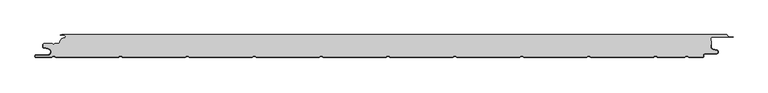
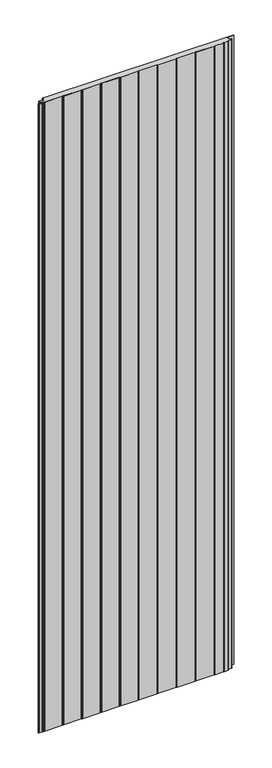
"""IFC4 building model written with IfcOpenShell, lengths in millimetres: plate geometry."""

from ifc_helpers import new_model, si_unit, point, frame, frame_2d, origin, origin_with_axes, place, context, project, spatial, polyline, circle_curve, trimmed, segment, composite_curve, outline, extrude, source, transform, mapped, element, save
from ifc_brep_helpers import plane_surface, cylinder_surface, revolved_surface, advanced_brep


def plate_8099458d(model_context):
    return source(origin(), model_context, "Body", "SolidModel", [
        advanced_brep(
        [(523.8595905, -2.0325427, 3500.0), (522.5460884, -0.8, 3500.0), (-471.6637731, -0.8, 3500.0), (-474.0000003, -1.3234618, 3500.0), (-468.0000003, -1.3234618, 3500.0), (-468.1134423, -5.9206625, 3500.0), (-474.1919837, -12.028303, 3500.0), (-476.0000003, -13.9234618, 3500.0), (-482.1686293, -13.9234618, 3500.0), (-484.0000002, -15.7548327, 3500.0), (-485.831371, -13.9234618, 3500.0), (-497.4, -13.9234618, 3500.0), (-499.2, -15.7234618, 3500.0), (-499.2, -19.0038437, 3500.0), (-498.2083778, -20.185613, 3500.0), (-491.7622998, -21.3222305, 3500.0), (-492.7, -32.0401924, 3500.0), (-509.7, -32.0401924, 3500.0), (-509.7, -34.2401924, 3500.0), (-486.6751286, -34.2401924, 3500.0), (-484.45, -32.9555137, 3500.0), (-482.7606357, -32.9494241, 3500.0), (-480.4557934, -34.2, 3500.0), (-386.6055134, -34.2, 3500.0), (-384.45, -32.9555137, 3500.0), (-382.7606357, -32.9494241, 3500.0), (-380.4557934, -34.2, 3500.0), (-286.6055134, -34.2, 3500.0), (-284.45, -32.9555137, 3500.0), (-282.7606357, -32.9494242, 3500.0), (-280.4557934, -34.2, 3500.0), (-186.6055134, -34.2, 3500.0), (-184.45, -32.9555137, 3500.0), (-182.7606357, -32.9494242, 3500.0), (-180.4557934, -34.2, 3500.0), (-86.6055134, -34.2, 3500.0), (-84.45, -32.9555137, 3500.0), (-82.7606357, -32.9494242, 3500.0), (-80.4557934, -34.2, 3500.0), (13.3944866, -34.2, 3500.0), (15.55, -32.9555137, 3500.0), (17.2393643, -32.9494242, 3500.0), (19.5442066, -34.2, 3500.0), (113.3944866, -34.2, 3500.0), (115.55, -32.9555137, 3500.0), (117.2393643, -32.9494242, 3500.0), (119.5442066, -34.2, 3500.0), (213.3944866, -34.2, 3500.0), (215.55, -32.9555137, 3500.0), (217.2393643, -32.9494242, 3500.0), (219.5442066, -34.2, 3500.0), (313.3944866, -34.2, 3500.0), (315.55, -32.9555137, 3500.0), (317.2393643, -32.9494242, 3500.0), (319.5442066, -34.2, 3500.0), (413.3944866, -34.2, 3500.0), (415.55, -32.9555138, 3500.0), (417.2393643, -32.9494242, 3500.0), (419.5442066, -34.2000001, 3500.0), (460.2243041, -34.2000001, 3500.0), (462.3798174, -32.9555138, 3500.0), (464.0741626, -32.9522634, 3500.0), (466.3793035, -34.2401924, 3500.0), (487.0105556, -34.2401924, 3500.0), (487.6105556, -33.6401924, 3500.0), (487.6105556, -32.2401924, 3500.0), (491.0105556, -28.8401924, 3500.0), (507.5, -28.8401924, 3500.0), (507.9948923, -24.4965783, 3500.0), (501.8351664, -23.0744935, 3500.0), (499.2, -19.7616353, 3500.0), (499.2, -15.6401924, 3500.0), (500.0, -15.6401924, 3500.0), (500.0, -10.3245382, 3500.0), (499.2, -10.3245382, 3500.0), (499.2, -6.8245382, 3500.0), (502.0, -4.0245382, 3500.0), (532.5, -4.0245382, 3500.0), (525.8912786, -3.5911794, 3500.0), (523.8595905, -2.0325427, 0.0), (525.8912786, -3.5911794, 0.0), (532.5, -4.0245382, 0.0), (502.0, -4.0245382, 0.0), (499.2, -6.8245382, 0.0), (499.2, -10.3245382, 0.0), (500.0, -10.3245382, 0.0), (500.0, -15.6401924, 0.0), (499.2, -15.6401924, 0.0), (499.2, -19.7616353, 0.0), (501.8351664, -23.0744935, 0.0), (507.9948923, -24.4965783, 0.0), (507.5, -28.8401924, 0.0), (491.0105556, -28.8401924, 0.0), (487.6105556, -32.2401924, 0.0), (487.6105556, -33.6401924, 0.0), (487.0105556, -34.2401924, 0.0), (466.3793035, -34.2401924, 0.0), (464.0741626, -32.9522634, 0.0), (462.3798174, -32.9555138, 0.0), (460.2243041, -34.2000001, 0.0), (419.5442066, -34.2000001, 0.0), (417.2393643, -32.9494242, 0.0), (415.55, -32.9555138, 0.0), (413.3944866, -34.2, 0.0), (319.5442066, -34.2, 0.0), (317.2393643, -32.9494242, 0.0), (315.55, -32.9555137, 0.0), (313.3944866, -34.2, 0.0), (219.5442066, -34.2, 0.0), (217.2393643, -32.9494242, 0.0), (215.55, -32.9555137, 0.0), (213.3944866, -34.2, 0.0), (119.5442066, -34.2, 0.0), (117.2393643, -32.9494242, 0.0), (115.55, -32.9555137, 0.0), (113.3944866, -34.2, 0.0), (19.5442066, -34.2, 0.0), (17.2393643, -32.9494242, 0.0), (15.55, -32.9555137, 0.0), (13.3944866, -34.2, 0.0), (-80.4557934, -34.2, 0.0), (-82.7606357, -32.9494242, 0.0), (-84.45, -32.9555137, 0.0), (-86.6055134, -34.2, 0.0), (-180.4557934, -34.2, 0.0), (-182.7606357, -32.9494242, 0.0), (-184.45, -32.9555137, 0.0), (-186.6055134, -34.2, 0.0), (-280.4557934, -34.2, 0.0), (-282.7606357, -32.9494242, 0.0), (-284.45, -32.9555137, 0.0), (-286.6055134, -34.2, 0.0), (-380.4557934, -34.2, 0.0), (-382.7606357, -32.9494241, 0.0), (-384.45, -32.9555137, 0.0), (-386.6055134, -34.2, 0.0), (-480.4557934, -34.2, 0.0), (-482.7606357, -32.9494241, 0.0), (-484.45, -32.9555137, 0.0), (-486.6751286, -34.2401924, 0.0), (-509.7, -34.2401924, 0.0), (-509.7, -32.0401924, 0.0), (-492.7, -32.0401924, 0.0), (-491.7622998, -21.3222305, 0.0), (-498.2083778, -20.185613, 0.0), (-499.2, -19.0038437, 0.0), (-499.2, -15.7234618, 0.0), (-497.4, -13.9234618, 0.0), (-485.831371, -13.9234618, 0.0), (-484.0000002, -15.7548327, 0.0), (-482.1686293, -13.9234618, 0.0), (-476.0000003, -13.9234618, 0.0), (-474.2024882, -12.0288559, 0.0), (-468.1139291, -5.930521, 0.0), (-468.0000003, -1.3234618, 0.0), (-474.0000003, -1.3234618, 0.0), (-471.6637731, -0.8, 0.0), (522.5460884, -0.8, 0.0)],
        [
            (0, 1, circle_curve(frame((522.5460884, -2.116161, 3500.0), z_axis=(0.0, 0.0, 1.0), x_axis=(1.0, 0.0, 0.0)), 1.316161)),
            (1, 2),
            (2, 3),
            (3, 4),
            (4, 5, circle_curve(frame((-468.0000003, -3.6234618, 3500.0), z_axis=(0.0, 0.0, -1.0), x_axis=(1.0, 0.0, 0.0)), 2.3)),
            (5, 6, circle_curve(frame((-468.4000003, -11.7234618, 3500.0), z_axis=(0.0, 0.0, 1.0), x_axis=(1.0, 0.0, 0.0)), 5.8)),
            (6, 7, circle_curve(frame((-476.0000003, -12.1234618, 3500.0), z_axis=(0.0, 0.0, -1.0), x_axis=(1.0, 0.0, 0.0)), 1.8)),
            (7, 8),
            (8, 9),
            (9, 10),
            (10, 11),
            (11, 12, circle_curve(frame((-497.4, -15.7234618, 3500.0), z_axis=(0.0, 0.0, 1.0), x_axis=(1.0, 0.0, 0.0)), 1.8)),
            (12, 13),
            (13, 14, circle_curve(frame((-498.0, -19.0038437, 3500.0), z_axis=(0.0, 0.0, 1.0), x_axis=(1.0, 0.0, 0.0)), 1.2)),
            (14, 15),
            (15, 16, circle_curve(frame((-492.7, -26.6401924, 3500.0), z_axis=(0.0, 0.0, -1.0), x_axis=(1.0, 0.0, 0.0)), 5.4)),
            (16, 17),
            (17, 18, circle_curve(frame((-509.7, -33.1401924, 3500.0), z_axis=(0.0, 0.0, 1.0), x_axis=(1.0, 0.0, 0.0)), 1.1)),
            (18, 19),
            (19, 20),
            (20, 21, circle_curve(frame((-483.6, -34.4277569, 3500.0), z_axis=(0.0, 0.0, -1.0), x_axis=(1.0, 0.0, 0.0)), 1.7)),
            (21, 22),
            (22, 23),
            (23, 24),
            (24, 25, circle_curve(frame((-383.6, -34.4277569, 3500.0), z_axis=(0.0, 0.0, -1.0), x_axis=(1.0, 0.0, 0.0)), 1.7)),
            (25, 26),
            (26, 27),
            (27, 28),
            (28, 29, circle_curve(frame((-283.6, -34.4277569, 3500.0), z_axis=(0.0, 0.0, -1.0), x_axis=(1.0, 0.0, 0.0)), 1.7)),
            (29, 30),
            (30, 31),
            (31, 32),
            (32, 33, circle_curve(frame((-183.6, -34.4277569, 3500.0), z_axis=(0.0, 0.0, -1.0), x_axis=(1.0, 0.0, 0.0)), 1.7)),
            (33, 34),
            (34, 35),
            (35, 36),
            (36, 37, circle_curve(frame((-83.6, -34.4277569, 3500.0), z_axis=(0.0, 0.0, -1.0), x_axis=(1.0, 0.0, 0.0)), 1.7)),
            (37, 38),
            (38, 39),
            (39, 40),
            (40, 41, circle_curve(frame((16.4, -34.4277569, 3500.0), z_axis=(0.0, 0.0, -1.0), x_axis=(1.0, 0.0, 0.0)), 1.7)),
            (41, 42),
            (42, 43),
            (43, 44),
            (44, 45, circle_curve(frame((116.4, -34.4277569, 3500.0), z_axis=(0.0, 0.0, -1.0), x_axis=(1.0, 0.0, 0.0)), 1.7)),
            (45, 46),
            (46, 47),
            (47, 48),
            (48, 49, circle_curve(frame((216.4, -34.4277569, 3500.0), z_axis=(0.0, 0.0, -1.0), x_axis=(1.0, 0.0, 0.0)), 1.7)),
            (49, 50),
            (50, 51),
            (51, 52),
            (52, 53, circle_curve(frame((316.4, -34.4277569, 3500.0), z_axis=(0.0, 0.0, -1.0), x_axis=(1.0, 0.0, 0.0)), 1.7)),
            (53, 54),
            (54, 55),
            (55, 56),
            (56, 57, circle_curve(frame((416.4, -34.4277569, 3500.0), z_axis=(0.0, 0.0, -1.0), x_axis=(1.0, 0.0, 0.0)), 1.7)),
            (57, 58),
            (58, 59),
            (59, 60),
            (60, 61, circle_curve(frame((463.2298174, -34.4277569, 3500.0), z_axis=(0.0, 0.0, -1.0), x_axis=(1.0, 0.0, 0.0)), 1.7)),
            (61, 62),
            (62, 63),
            (63, 64, circle_curve(frame((487.0105556, -33.6401924, 3500.0), z_axis=(0.0, 0.0, 1.0), x_axis=(1.0, 0.0, 0.0)), 0.6)),
            (64, 65),
            (65, 66, circle_curve(frame((491.0105556, -32.2401924, 3500.0), z_axis=(0.0, 0.0, -1.0), x_axis=(1.0, 0.0, 0.0)), 3.4)),
            (66, 67),
            (67, 68, circle_curve(frame((507.5, -26.6401924, 3500.0), z_axis=(0.0, 0.0, 1.0), x_axis=(1.0, 0.0, 0.0)), 2.2)),
            (68, 69),
            (69, 70, circle_curve(frame((502.6, -19.7616353, 3500.0), z_axis=(0.0, 0.0, -1.0), x_axis=(1.0, 0.0, 0.0)), 3.4)),
            (70, 71),
            (71, 72),
            (72, 73),
            (73, 74),
            (74, 75),
            (75, 76, circle_curve(frame((502.0, -6.8245382, 3500.0), z_axis=(0.0, 0.0, -1.0), x_axis=(1.0, 0.0, 0.0)), 2.8)),
            (76, 77),
            (77, 78),
            (78, 0, circle_curve(frame((525.5561562, -1.9245382, 3500.0), z_axis=(0.0, 0.0, -1.0), x_axis=(1.0, 0.0, 0.0)), 1.7)),
            (79, 80, circle_curve(frame((525.5561562, -1.9245382, 0.0), z_axis=(0.0, 0.0, 1.0), x_axis=(1.0, 0.0, 0.0)), 1.7)),
            (80, 81),
            (81, 82),
            (82, 83, circle_curve(frame((502.0, -6.8245382, 0.0), z_axis=(0.0, 0.0, 1.0), x_axis=(1.0, 0.0, 0.0)), 2.8)),
            (83, 84),
            (84, 85),
            (85, 86),
            (86, 87),
            (87, 88),
            (88, 89, circle_curve(frame((502.6, -19.7616353, 0.0), z_axis=(0.0, 0.0, 1.0), x_axis=(1.0, 0.0, 0.0)), 3.4)),
            (89, 90),
            (90, 91, circle_curve(frame((507.5, -26.6401924, 0.0), z_axis=(0.0, 0.0, -1.0), x_axis=(1.0, 0.0, 0.0)), 2.2)),
            (91, 92),
            (92, 93, circle_curve(frame((491.0105556, -32.2401924, 0.0), z_axis=(0.0, 0.0, 1.0), x_axis=(1.0, 0.0, 0.0)), 3.4)),
            (93, 94),
            (94, 95, circle_curve(frame((487.0105556, -33.6401924, 0.0), z_axis=(0.0, 0.0, -1.0), x_axis=(1.0, 0.0, 0.0)), 0.6)),
            (95, 96),
            (96, 97),
            (97, 98, circle_curve(frame((463.2298174, -34.4277569, 0.0), z_axis=(0.0, 0.0, 1.0), x_axis=(1.0, 0.0, 0.0)), 1.7)),
            (98, 99),
            (99, 100),
            (100, 101),
            (101, 102, circle_curve(frame((416.4, -34.4277569, 0.0), z_axis=(0.0, 0.0, 1.0), x_axis=(1.0, 0.0, 0.0)), 1.7)),
            (102, 103),
            (103, 104),
            (104, 105),
            (105, 106, circle_curve(frame((316.4, -34.4277569, 0.0), z_axis=(0.0, 0.0, 1.0), x_axis=(1.0, 0.0, 0.0)), 1.7)),
            (106, 107),
            (107, 108),
            (108, 109),
            (109, 110, circle_curve(frame((216.4, -34.4277569, 0.0), z_axis=(0.0, 0.0, 1.0), x_axis=(1.0, 0.0, 0.0)), 1.7)),
            (110, 111),
            (111, 112),
            (112, 113),
            (113, 114, circle_curve(frame((116.4, -34.4277569, 0.0), z_axis=(0.0, 0.0, 1.0), x_axis=(1.0, 0.0, 0.0)), 1.7)),
            (114, 115),
            (115, 116),
            (116, 117),
            (117, 118, circle_curve(frame((16.4, -34.4277569, 0.0), z_axis=(0.0, 0.0, 1.0), x_axis=(1.0, 0.0, 0.0)), 1.7)),
            (118, 119),
            (119, 120),
            (120, 121),
            (121, 122, circle_curve(frame((-83.6, -34.4277569, 0.0), z_axis=(0.0, 0.0, 1.0), x_axis=(1.0, 0.0, 0.0)), 1.7)),
            (122, 123),
            (123, 124),
            (124, 125),
            (125, 126, circle_curve(frame((-183.6, -34.4277569, 0.0), z_axis=(0.0, 0.0, 1.0), x_axis=(1.0, 0.0, 0.0)), 1.7)),
            (126, 127),
            (127, 128),
            (128, 129),
            (129, 130, circle_curve(frame((-283.6, -34.4277569, 0.0), z_axis=(0.0, 0.0, 1.0), x_axis=(1.0, 0.0, 0.0)), 1.7)),
            (130, 131),
            (131, 132),
            (132, 133),
            (133, 134, circle_curve(frame((-383.6, -34.4277569, 0.0), z_axis=(0.0, 0.0, 1.0), x_axis=(1.0, 0.0, 0.0)), 1.7)),
            (134, 135),
            (135, 136),
            (136, 137),
            (137, 138, circle_curve(frame((-483.6, -34.4277569, 0.0), z_axis=(0.0, 0.0, 1.0), x_axis=(1.0, 0.0, 0.0)), 1.7)),
            (138, 139),
            (139, 140),
            (140, 141, circle_curve(frame((-509.7, -33.1401924, 0.0), z_axis=(0.0, 0.0, -1.0), x_axis=(1.0, 0.0, 0.0)), 1.1)),
            (141, 142),
            (142, 143, circle_curve(frame((-492.7, -26.6401924, 0.0), z_axis=(0.0, 0.0, 1.0), x_axis=(1.0, 0.0, 0.0)), 5.4)),
            (143, 144),
            (144, 145, circle_curve(frame((-498.0, -19.0038437, 0.0), z_axis=(0.0, 0.0, -1.0), x_axis=(1.0, 0.0, 0.0)), 1.2)),
            (145, 146),
            (146, 147, circle_curve(frame((-497.4, -15.7234618, 0.0), z_axis=(0.0, 0.0, -1.0), x_axis=(1.0, 0.0, 0.0)), 1.8)),
            (147, 148),
            (148, 149),
            (149, 150),
            (150, 151),
            (151, 152, circle_curve(frame((-476.0000003, -12.1234618, 0.0), z_axis=(0.0, 0.0, 1.0), x_axis=(1.0, 0.0, 0.0)), 1.8)),
            (152, 153, circle_curve(frame((-468.4000003, -11.7234618, 0.0), z_axis=(0.0, 0.0, -1.0), x_axis=(1.0, 0.0, 0.0)), 5.8)),
            (153, 154, circle_curve(frame((-468.0000003, -3.6234618, 0.0), z_axis=(0.0, 0.0, 1.0), x_axis=(1.0, 0.0, 0.0)), 2.3)),
            (154, 155),
            (155, 156),
            (156, 157),
            (157, 79, circle_curve(frame((522.5460884, -2.116161, 0.0), z_axis=(0.0, 0.0, -1.0), x_axis=(1.0, 0.0, 0.0)), 1.316161)),
            (0, 79),
            (157, 1),
            (156, 2),
            (155, 3),
            (154, 4),
            (153, 5),
            (152, 6),
            (151, 7),
            (150, 8),
            (149, 9),
            (148, 10),
            (147, 11),
            (146, 12),
            (145, 13),
            (144, 14),
            (143, 15),
            (142, 16),
            (141, 17),
            (140, 18),
            (139, 19),
            (138, 20),
            (137, 21),
            (136, 22),
            (135, 23),
            (134, 24),
            (133, 25),
            (132, 26),
            (131, 27),
            (130, 28),
            (129, 29),
            (128, 30),
            (127, 31),
            (126, 32),
            (125, 33),
            (124, 34),
            (123, 35),
            (122, 36),
            (121, 37),
            (120, 38),
            (119, 39),
            (118, 40),
            (117, 41),
            (116, 42),
            (115, 43),
            (114, 44),
            (113, 45),
            (112, 46),
            (111, 47),
            (110, 48),
            (109, 49),
            (108, 50),
            (107, 51),
            (106, 52),
            (105, 53),
            (104, 54),
            (103, 55),
            (102, 56),
            (101, 57),
            (100, 58),
            (99, 59),
            (98, 60),
            (97, 61),
            (96, 62),
            (95, 63),
            (94, 64),
            (93, 65),
            (92, 66),
            (91, 67),
            (90, 68),
            (89, 69),
            (88, 70),
            (87, 71),
            (86, 72),
            (85, 73),
            (84, 74),
            (83, 75),
            (82, 76),
            (81, 77),
            (80, 78),
        ],
        [
            plane_surface(frame((-500.0, -35.0, 3500.0), z_axis=(0.0, 0.0, 1.0), x_axis=(0.0, 1.0, 0.0))),
            plane_surface(frame((-500.0, -35.0, 0.0), z_axis=(0.0, 0.0, -1.0), x_axis=(0.0, 1.0, 0.0))),
            cylinder_surface(frame((522.5460884, -2.116161, 3500.0), z_axis=(0.0, 0.0, 1.0), x_axis=(1.0, 0.0, 0.0)), 1.316161),
            plane_surface(frame((522.5460884, -0.8, 3500.0), z_axis=(0.0, 1.0, 0.0), x_axis=(0.0, 0.0, -1.0))),
            plane_surface(frame((-471.6637731, -0.8, 3500.0), z_axis=(-0.21864173282829805, 0.9758052022129412, 0.0), x_axis=(0.0, 0.0, -1.0))),
            plane_surface(frame((-474.0000003, -1.3234618, 3500.0), z_axis=(0.0, -1.0, 0.0), x_axis=(0.0, 0.0, -1.0))),
            revolved_surface(polyline([(-465.7000003, -3.6234618, 0.0), (-465.7000003, -3.6234618, 3500.0)]), (-468.0000003, -3.6234618, 3500.0), (0.0, 0.0, -1.0)),
            cylinder_surface(frame((-468.4000003, -11.7234618, 3500.0), z_axis=(0.0, 0.0, 1.0), x_axis=(1.0, 0.0, 0.0)), 5.8),
            revolved_surface(polyline([(-474.2000003, -12.1234618, 0.0), (-474.2000003, -12.1234618, 3500.0)]), (-476.0000003, -12.1234618, 3500.0), (0.0, 0.0, -1.0)),
            plane_surface(frame((-476.0000003, -13.9234618, 3500.0), z_axis=(0.0, 1.0, 0.0), x_axis=(0.0, 0.0, -1.0))),
            plane_surface(frame((-482.1686293, -13.9234618, 3500.0), z_axis=(-0.7071067810231582, 0.707106781349937, 0.0), x_axis=(0.0, 0.0, -1.0))),
            plane_surface(frame((-484.0000002, -15.7548327, 3500.0), z_axis=(0.7071067813499369, 0.7071067810231582, 0.0), x_axis=(0.0, 0.0, -1.0))),
            plane_surface(frame((-485.831371, -13.9234618, 3500.0), z_axis=(0.0, 1.0, 0.0), x_axis=(0.0, 0.0, -1.0))),
            cylinder_surface(frame((-497.4, -15.7234618, 3500.0), z_axis=(0.0, 0.0, 1.0), x_axis=(1.0, 0.0, 0.0)), 1.8),
            plane_surface(frame((-499.2, -17.1226667, 3500.0), z_axis=(-1.0, 0.0, 0.0), x_axis=(0.0, 0.0, -1.0))),
            cylinder_surface(frame((-498.0, -19.0038437, 3500.0), z_axis=(0.0, 0.0, 1.0), x_axis=(1.0, 0.0, 0.0)), 1.2),
            plane_surface(frame((-498.2083778, -20.185613, 3500.0), z_axis=(-0.1736481776669248, -0.984807753012209, 0.0), x_axis=(0.0, 0.0, -1.0))),
            revolved_surface(polyline([(-487.3, -26.6401924, 0.0), (-487.3, -26.6401924, 3500.0)]), (-492.7, -26.6401924, 3500.0), (0.0, 0.0, -1.0)),
            plane_surface(frame((-492.7, -32.0401924, 3500.0), z_axis=(0.0, 1.0, 0.0), x_axis=(0.0, 0.0, -1.0))),
            cylinder_surface(frame((-509.7, -33.1401924, 3500.0), z_axis=(0.0, 0.0, 1.0), x_axis=(1.0, 0.0, 0.0)), 1.1),
            plane_surface(frame((-509.7, -34.2401924, 3500.0), z_axis=(0.0, -1.0, 0.0), x_axis=(0.0, 0.0, -1.0))),
            plane_surface(frame((-486.6751286, -34.2401924, 3500.0), z_axis=(0.5000000299311667, -0.8660253865036709, 0.0), x_axis=(0.0, 0.0, -1.0))),
            revolved_surface(polyline([(-481.90000000000003, -34.4277569, 0.0), (-481.90000000000003, -34.4277569, 3500.0)]), (-483.6, -34.4277569, 3500.0), (0.0, 0.0, -1.0)),
            plane_surface(frame((-482.7606357, -32.9494241, 3500.0), z_axis=(-0.47690797328217005, -0.878953232555574, 0.0), x_axis=(0.0, 0.0, -1.0))),
            plane_surface(frame((-480.4557934, -34.2, 3500.0), z_axis=(0.0, -1.0, 0.0), x_axis=(0.0, 0.0, -1.0))),
            plane_surface(frame((-386.6055134, -34.2, 3500.0), z_axis=(0.5000000299307237, -0.8660253865039267, 0.0), x_axis=(0.0, 0.0, -1.0))),
            revolved_surface(polyline([(-381.90000000000003, -34.4277569, 0.0), (-381.90000000000003, -34.4277569, 3500.0)]), (-383.6, -34.4277569, 3500.0), (0.0, 0.0, -1.0)),
            plane_surface(frame((-382.7606357, -32.9494241, 3500.0), z_axis=(-0.4769079732821666, -0.8789532325555759, 0.0), x_axis=(0.0, 0.0, -1.0))),
            plane_surface(frame((-380.4557934, -34.2, 3500.0), z_axis=(0.0, -1.0, 0.0), x_axis=(0.0, 0.0, -1.0))),
            plane_surface(frame((-286.6055134, -34.2, 3500.0), z_axis=(0.5000000299311692, -0.8660253865036693, 0.0), x_axis=(0.0, 0.0, -1.0))),
            revolved_surface(polyline([(-281.90000000000003, -34.4277569, 0.0), (-281.90000000000003, -34.4277569, 3500.0)]), (-283.6, -34.4277569, 3500.0), (0.0, 0.0, -1.0)),
            plane_surface(frame((-282.7606357, -32.9494242, 3500.0), z_axis=(-0.4769079732821966, -0.8789532325555597, 0.0), x_axis=(0.0, 0.0, -1.0))),
            plane_surface(frame((-280.4557934, -34.2, 3500.0), z_axis=(0.0, -1.0, 0.0), x_axis=(0.0, 0.0, -1.0))),
            plane_surface(frame((-186.6055134, -34.2, 3500.0), z_axis=(0.5000000299307252, -0.8660253865039258, 0.0), x_axis=(0.0, 0.0, -1.0))),
            revolved_surface(polyline([(-181.9, -34.4277569, 0.0), (-181.9, -34.4277569, 3500.0)]), (-183.6, -34.4277569, 3500.0), (0.0, 0.0, -1.0)),
            plane_surface(frame((-182.7606357, -32.9494242, 3500.0), z_axis=(-0.4769079732823461, -0.8789532325554785, 0.0), x_axis=(0.0, 0.0, -1.0))),
            plane_surface(frame((-180.4557934, -34.2, 3500.0), z_axis=(0.0, -1.0, 0.0), x_axis=(0.0, 0.0, -1.0))),
            plane_surface(frame((-86.6055134, -34.2, 3500.0), z_axis=(0.5000000299313181, -0.8660253865035835, 0.0), x_axis=(0.0, 0.0, -1.0))),
            revolved_surface(polyline([(-81.89999999999999, -34.4277569, 0.0), (-81.89999999999999, -34.4277569, 3500.0)]), (-83.6, -34.4277569, 3500.0), (0.0, 0.0, -1.0)),
            plane_surface(frame((-82.7606357, -32.9494242, 3500.0), z_axis=(-0.4769079732823407, -0.8789532325554815, 0.0), x_axis=(0.0, 0.0, -1.0))),
            plane_surface(frame((-80.4557934, -34.2, 3500.0), z_axis=(0.0, -1.0, 0.0), x_axis=(0.0, 0.0, -1.0))),
            plane_surface(frame((13.3944866, -34.2, 3500.0), z_axis=(0.500000029930723, -0.866025386503927, 0.0), x_axis=(0.0, 0.0, -1.0))),
            revolved_surface(polyline([(18.099999999999998, -34.4277569, 0.0), (18.099999999999998, -34.4277569, 3500.0)]), (16.4, -34.4277569, 3500.0), (0.0, 0.0, -1.0)),
            plane_surface(frame((17.2393643, -32.9494242, 3500.0), z_axis=(-0.4769079732822356, -0.8789532325555385, 0.0), x_axis=(0.0, 0.0, -1.0))),
            plane_surface(frame((19.5442066, -34.2, 3500.0), z_axis=(0.0, -1.0, 0.0), x_axis=(0.0, 0.0, -1.0))),
            plane_surface(frame((113.3944866, -34.2, 3500.0), z_axis=(0.5000000299311671, -0.8660253865036706, 0.0), x_axis=(0.0, 0.0, -1.0))),
            revolved_surface(polyline([(118.10000000000001, -34.4277569, 0.0), (118.10000000000001, -34.4277569, 3500.0)]), (116.4, -34.4277569, 3500.0), (0.0, 0.0, -1.0)),
            plane_surface(frame((117.2393643, -32.9494242, 3500.0), z_axis=(-0.4769079732821772, -0.8789532325555701, 0.0), x_axis=(0.0, 0.0, -1.0))),
            plane_surface(frame((119.5442066, -34.2, 3500.0), z_axis=(0.0, -1.0, 0.0), x_axis=(0.0, 0.0, -1.0))),
            plane_surface(frame((213.3944866, -34.2, 3500.0), z_axis=(0.5000000299307268, -0.8660253865039248, 0.0), x_axis=(0.0, 0.0, -1.0))),
            revolved_surface(polyline([(218.1, -34.4277569, 0.0), (218.1, -34.4277569, 3500.0)]), (216.4, -34.4277569, 3500.0), (0.0, 0.0, -1.0)),
            plane_surface(frame((217.2393643, -32.9494242, 3500.0), z_axis=(-0.4769079732821906, -0.8789532325555629, 0.0), x_axis=(0.0, 0.0, -1.0))),
            plane_surface(frame((219.5442066, -34.2, 3500.0), z_axis=(0.0, -1.0, 0.0), x_axis=(0.0, 0.0, -1.0))),
            plane_surface(frame((313.3944866, -34.2, 3500.0), z_axis=(0.5000000299311079, -0.8660253865037049, 0.0), x_axis=(0.0, 0.0, -1.0))),
            revolved_surface(polyline([(318.09999999999997, -34.4277569, 0.0), (318.09999999999997, -34.4277569, 3500.0)]), (316.4, -34.4277569, 3500.0), (0.0, 0.0, -1.0)),
            plane_surface(frame((317.2393643, -32.9494242, 3500.0), z_axis=(-0.476907973282159, -0.8789532325555801, 0.0), x_axis=(0.0, 0.0, -1.0))),
            plane_surface(frame((319.5442066, -34.2, 3500.0), z_axis=(0.0, -1.0, 0.0), x_axis=(0.0, 0.0, -1.0))),
            plane_surface(frame((413.3944866, -34.2, 3500.0), z_axis=(0.5000000299307292, -0.8660253865039235, 0.0), x_axis=(0.0, 0.0, -1.0))),
            revolved_surface(polyline([(418.09999999999997, -34.4277569, 0.0), (418.09999999999997, -34.4277569, 3500.0)]), (416.4, -34.4277569, 3500.0), (0.0, 0.0, -1.0)),
            plane_surface(frame((417.2393643, -32.9494242, 3500.0), z_axis=(-0.47690797328237156, -0.8789532325554646, 0.0), x_axis=(0.0, 0.0, -1.0))),
            plane_surface(frame((419.5442066, -34.2000001, 3500.0), z_axis=(0.0, -1.0, 0.0), x_axis=(0.0, 0.0, -1.0))),
            plane_surface(frame((460.2243041, -34.2000001, 3500.0), z_axis=(0.5000000299306834, -0.86602538650395, 0.0), x_axis=(0.0, 0.0, -1.0))),
            revolved_surface(polyline([(464.9298174, -34.4277569, 0.0), (464.9298174, -34.4277569, 3500.0)]), (463.2298174, -34.4277569, 3500.0), (0.0, 0.0, -1.0)),
            plane_surface(frame((464.0741626, -32.9522634, 3500.0), z_axis=(-0.48775269747067673, -0.8729818475260975, 0.0), x_axis=(0.0, 0.0, -1.0))),
            plane_surface(frame((466.3793035, -34.2401924, 3500.0), z_axis=(0.0, -1.0, 0.0), x_axis=(0.0, 0.0, -1.0))),
            cylinder_surface(frame((487.0105556, -33.6401924, 3500.0), z_axis=(0.0, 0.0, 1.0), x_axis=(1.0, 0.0, 0.0)), 0.6),
            plane_surface(frame((487.6105556, -33.6401924, 3500.0), z_axis=(1.0, 0.0, 0.0), x_axis=(0.0, 0.0, -1.0))),
            revolved_surface(polyline([(494.41055559999995, -32.2401924, 0.0), (494.41055559999995, -32.2401924, 3500.0)]), (491.0105556, -32.2401924, 3500.0), (0.0, 0.0, -1.0)),
            plane_surface(frame((491.0105556, -28.8401924, 3500.0), z_axis=(0.0, -1.0, 0.0), x_axis=(0.0, 0.0, -1.0))),
            cylinder_surface(frame((507.5, -26.6401924, 3500.0), z_axis=(0.0, 0.0, 1.0), x_axis=(1.0, 0.0, 0.0)), 2.2),
            plane_surface(frame((507.9948923, -24.4965783, 3500.0), z_axis=(0.22495105434371662, 0.9743700647852696, 0.0), x_axis=(0.0, 0.0, -1.0))),
            revolved_surface(polyline([(506.0, -19.7616353, 0.0), (506.0, -19.7616353, 3500.0)]), (502.6, -19.7616353, 3500.0), (0.0, 0.0, -1.0)),
            plane_surface(frame((499.2, -19.7616353, 3500.0), z_axis=(1.0, 0.0, 0.0), x_axis=(0.0, 0.0, -1.0))),
            plane_surface(frame((499.2, -15.6401924, 3500.0), z_axis=(0.0, -1.0, 0.0), x_axis=(0.0, 0.0, -1.0))),
            plane_surface(frame((500.0, -15.6401924, 3500.0), z_axis=(1.0, 0.0, 0.0), x_axis=(0.0, 0.0, -1.0))),
            plane_surface(frame((500.0, -10.3245382, 3500.0), z_axis=(0.0, 1.0, 0.0), x_axis=(0.0, 0.0, -1.0))),
            plane_surface(frame((499.2, -10.3245382, 3500.0), z_axis=(1.0, 0.0, 0.0), x_axis=(0.0, 0.0, -1.0))),
            revolved_surface(polyline([(504.8, -6.8245382, 0.0), (504.8, -6.8245382, 3500.0)]), (502.0, -6.8245382, 3500.0), (0.0, 0.0, -1.0)),
            plane_surface(frame((502.0, -4.0245382, 3500.0), z_axis=(0.0, -1.0, 0.0), x_axis=(0.0, 0.0, -1.0))),
            plane_surface(frame((532.5, -4.0245382, 3500.0), z_axis=(0.06543324256079601, 0.9978569490503035, 0.0), x_axis=(0.0, 0.0, -1.0))),
            revolved_surface(polyline([(527.2561562000001, -1.9245382, 0.0), (527.2561562000001, -1.9245382, 3500.0)]), (525.5561562, -1.9245382, 3500.0), (0.0, 0.0, -1.0)),
        ],
        [
            (0, [[1, 2, 3, 4, 5, 6, 7, 8, 9, 10, 11, 12, 13, 14, 15, 16, 17, 18, 19, 20, 21, 22, 23, 24, 25, 26, 27, 28, 29, 30, 31, 32, 33, 34, 35, 36, 37, 38, 39, 40, 41, 42, 43, 44, 45, 46, 47, 48, 49, 50, 51, 52, 53, 54, 55, 56, 57, 58, 59, 60, 61, 62, 63, 64, 65, 66, 67, 68, 69, 70, 71, 72, 73, 74, 75, 76, 77, 78, 79]]),
            (1, [[80, 81, 82, 83, 84, 85, 86, 87, 88, 89, 90, 91, 92, 93, 94, 95, 96, 97, 98, 99, 100, 101, 102, 103, 104, 105, 106, 107, 108, 109, 110, 111, 112, 113, 114, 115, 116, 117, 118, 119, 120, 121, 122, 123, 124, 125, 126, 127, 128, 129, 130, 131, 132, 133, 134, 135, 136, 137, 138, 139, 140, 141, 142, 143, 144, 145, 146, 147, 148, 149, 150, 151, 152, 153, 154, 155, 156, 157, 158]]),
            (2, [[-1, 159, -158, 160]]),
            (3, [[-2, -160, -157, 161]]),
            (4, [[-3, -161, -156, 162]]),
            (5, [[-4, -162, -155, 163]]),
            (6, [[-5, -163, -154, 164]]),
            (7, [[-6, -164, -153, 165]]),
            (8, [[-7, -165, -152, 166]]),
            (9, [[-8, -166, -151, 167]]),
            (10, [[-9, -167, -150, 168]]),
            (11, [[-10, -168, -149, 169]]),
            (12, [[-11, -169, -148, 170]]),
            (13, [[-12, -170, -147, 171]]),
            (14, [[-171, -146, 172, -13]]),
            (15, [[-14, -172, -145, 173]]),
            (16, [[-15, -173, -144, 174]]),
            (17, [[-16, -174, -143, 175]]),
            (18, [[-17, -175, -142, 176]]),
            (19, [[-18, -176, -141, 177]]),
            (20, [[-19, -177, -140, 178]]),
            (21, [[-20, -178, -139, 179]]),
            (22, [[-21, -179, -138, 180]]),
            (23, [[-22, -180, -137, 181]]),
            (24, [[-23, -181, -136, 182]]),
            (25, [[-24, -182, -135, 183]]),
            (26, [[-25, -183, -134, 184]]),
            (27, [[-26, -184, -133, 185]]),
            (28, [[-27, -185, -132, 186]]),
            (29, [[-28, -186, -131, 187]]),
            (30, [[-29, -187, -130, 188]]),
            (31, [[-30, -188, -129, 189]]),
            (32, [[-31, -189, -128, 190]]),
            (33, [[-32, -190, -127, 191]]),
            (34, [[-33, -191, -126, 192]]),
            (35, [[-34, -192, -125, 193]]),
            (36, [[-35, -193, -124, 194]]),
            (37, [[-36, -194, -123, 195]]),
            (38, [[-37, -195, -122, 196]]),
            (39, [[-38, -196, -121, 197]]),
            (40, [[-39, -197, -120, 198]]),
            (41, [[-40, -198, -119, 199]]),
            (42, [[-41, -199, -118, 200]]),
            (43, [[-42, -200, -117, 201]]),
            (44, [[-43, -201, -116, 202]]),
            (45, [[-44, -202, -115, 203]]),
            (46, [[-45, -203, -114, 204]]),
            (47, [[-46, -204, -113, 205]]),
            (48, [[-47, -205, -112, 206]]),
            (49, [[-48, -206, -111, 207]]),
            (50, [[-49, -207, -110, 208]]),
            (51, [[-50, -208, -109, 209]]),
            (52, [[-51, -209, -108, 210]]),
            (53, [[-52, -210, -107, 211]]),
            (54, [[-53, -211, -106, 212]]),
            (55, [[-54, -212, -105, 213]]),
            (56, [[-55, -213, -104, 214]]),
            (57, [[-56, -214, -103, 215]]),
            (58, [[-57, -215, -102, 216]]),
            (59, [[-58, -216, -101, 217]]),
            (60, [[-59, -217, -100, 218]]),
            (61, [[-60, -218, -99, 219]]),
            (62, [[-61, -219, -98, 220]]),
            (63, [[-62, -220, -97, 221]]),
            (64, [[-63, -221, -96, 222]]),
            (65, [[-64, -222, -95, 223]]),
            (66, [[-65, -223, -94, 224]]),
            (67, [[-66, -224, -93, 225]]),
            (68, [[-67, -225, -92, 226]]),
            (69, [[-68, -226, -91, 227]]),
            (70, [[-69, -227, -90, 228]]),
            (71, [[-70, -228, -89, 229]]),
            (72, [[-71, -229, -88, 230]]),
            (73, [[-72, -230, -87, 231]]),
            (74, [[-73, -231, -86, 232]]),
            (75, [[-74, -232, -85, 233]]),
            (76, [[-75, -233, -84, 234]]),
            (77, [[-76, -234, -83, 235]]),
            (78, [[-77, -235, -82, 236]]),
            (79, [[-78, -236, -81, 237]]),
            (80, [[-79, -237, -80, -159]]),
        ],
    ),
        extrude(outline(composite_curve([segment(trimmed(circle_curve(frame_2d((-498.0, -18.9636514)), 2.0), [point((-498.3472964, -20.9332669))], [point((-500.0, -18.9636514))], False, "CARTESIAN"), True, "CONTINUOUS"), segment(polyline([(-500.0, -18.9636514), (-500.0, -15.6), (-499.2, -15.6), (-499.2, -18.9636514)]), True, "CONTINUOUS"), segment(trimmed(circle_curve(frame_2d((-498.0, -18.9636514)), 1.2), [point((-499.2, -18.9636514))], [point((-498.2083778, -20.1454207))], True, "CARTESIAN"), True, "CONTINUOUS"), segment(polyline([(-498.2083778, -20.1454207), (-491.7622998, -21.2820381)]), True, "CONTINUOUS"), segment(trimmed(circle_curve(frame_2d((-492.7, -26.6)), 5.4), [point((-491.7622998, -21.2820381))], [point((-492.7, -32.0))], False, "CARTESIAN"), True, "CONTINUOUS"), segment(polyline([(-492.7, -32.0), (-509.7, -32.0)]), True, "CONTINUOUS"), segment(trimmed(circle_curve(frame_2d((-509.7, -33.1)), 1.1), [point((-509.7, -32.0))], [point((-509.7, -34.2))], True, "CARTESIAN"), True, "CONTINUOUS"), segment(polyline([(-509.7, -34.2), (-486.6751286, -34.2), (-484.45, -32.9153213)]), True, "CONTINUOUS"), segment(trimmed(circle_curve(frame_2d((-483.6, -34.3875645)), 1.7), [point((-484.45, -32.9153213))], [point((-482.7606357, -32.9092318))], False, "CARTESIAN"), True, "CONTINUOUS"), segment(polyline([(-482.7606357, -32.9092318), (-480.4557934, -34.1598076), (-386.6055134, -34.1598076), (-384.4500001, -32.9153213)]), True, "CONTINUOUS"), segment(trimmed(circle_curve(frame_2d((-383.6, -34.3875645)), 1.7), [point((-384.4500001, -32.9153213))], [point((-382.7606357, -32.9092318))], False, "CARTESIAN"), True, "CONTINUOUS"), segment(polyline([(-382.7606357, -32.9092318), (-380.4557934, -34.1598076), (-286.6055134, -34.1598076), (-284.4500001, -32.9153213)]), True, "CONTINUOUS"), segment(trimmed(circle_curve(frame_2d((-283.6, -34.3875645)), 1.7), [point((-284.4500001, -32.9153213))], [point((-282.7606357, -32.9092318))], False, "CARTESIAN"), True, "CONTINUOUS"), segment(polyline([(-282.7606357, -32.9092318), (-280.4557934, -34.1598076), (-186.6055134, -34.1598076), (-184.4500001, -32.9153213)]), True, "CONTINUOUS"), segment(trimmed(circle_curve(frame_2d((-183.6, -34.3875645)), 1.7), [point((-184.4500001, -32.9153213))], [point((-182.7606357, -32.9092318))], False, "CARTESIAN"), True, "CONTINUOUS"), segment(polyline([(-182.7606357, -32.9092318), (-180.4557934, -34.1598076), (-86.6055134, -34.1598076), (-84.4500001, -32.9153214)]), True, "CONTINUOUS"), segment(trimmed(circle_curve(frame_2d((-83.6, -34.3875645)), 1.7), [point((-84.4500001, -32.9153214))], [point((-82.7606357, -32.9092318))], False, "CARTESIAN"), True, "CONTINUOUS"), segment(polyline([(-82.7606357, -32.9092318), (-80.4557934, -34.1598077), (13.3944866, -34.1598077), (15.5499999, -32.9153214)]), True, "CONTINUOUS"), segment(trimmed(circle_curve(frame_2d((16.4, -34.3875645)), 1.7), [point((15.5499999, -32.9153214))], [point((17.2393643, -32.9092318))], False, "CARTESIAN"), True, "CONTINUOUS"), segment(polyline([(17.2393643, -32.9092318), (19.5442066, -34.1598077), (113.3944866, -34.1598077), (115.5499999, -32.9153214)]), True, "CONTINUOUS"), segment(trimmed(circle_curve(frame_2d((116.4, -34.3875645)), 1.7), [point((115.5499999, -32.9153214))], [point((117.2393643, -32.9092318))], False, "CARTESIAN"), True, "CONTINUOUS"), segment(polyline([(117.2393643, -32.9092318), (119.5442066, -34.1598077), (213.3944866, -34.1598077), (215.5499999, -32.9153214)]), True, "CONTINUOUS"), segment(trimmed(circle_curve(frame_2d((216.4, -34.3875645)), 1.7), [point((215.5499999, -32.9153214))], [point((217.2393643, -32.9092318))], False, "CARTESIAN"), True, "CONTINUOUS"), segment(polyline([(217.2393643, -32.9092318), (219.5442066, -34.1598077), (313.3944866, -34.1598077), (315.5499999, -32.9153214)]), True, "CONTINUOUS"), segment(trimmed(circle_curve(frame_2d((316.4, -34.3875645)), 1.7), [point((315.5499999, -32.9153214))], [point((317.2393643, -32.9092318))], False, "CARTESIAN"), True, "CONTINUOUS"), segment(polyline([(317.2393643, -32.9092318), (319.5442066, -34.1598077), (413.3944866, -34.1598077), (415.5499999, -32.9153214)]), True, "CONTINUOUS"), segment(trimmed(circle_curve(frame_2d((416.4, -34.3875645)), 1.7), [point((415.5499999, -32.9153214))], [point((417.2393643, -32.9092318))], False, "CARTESIAN"), True, "CONTINUOUS"), segment(polyline([(417.2393643, -32.9092318), (419.5442066, -34.1598077), (460.224304, -34.1598077), (462.3798174, -32.9153214)]), True, "CONTINUOUS"), segment(trimmed(circle_curve(frame_2d((463.2298174, -34.3875646)), 1.7), [point((462.3798174, -32.9153214))], [point((464.0741625, -32.912071))], False, "CARTESIAN"), True, "CONTINUOUS"), segment(polyline([(464.0741625, -32.912071), (466.3793035, -34.2), (487.0105556, -34.2)]), True, "CONTINUOUS"), segment(trimmed(circle_curve(frame_2d((487.0105556, -33.6)), 0.6), [point((487.0105556, -34.2))], [point((487.6105556, -33.6))], True, "CARTESIAN"), True, "CONTINUOUS"), segment(polyline([(487.6105556, -33.6), (487.6105556, -32.2)]), True, "CONTINUOUS"), segment(trimmed(circle_curve(frame_2d((491.0105556, -32.2)), 3.4), [point((487.6105556, -32.2))], [point((491.0105556, -28.8))], False, "CARTESIAN"), True, "CONTINUOUS"), segment(polyline([(491.0105556, -28.8), (507.5, -28.8)]), True, "CONTINUOUS"), segment(trimmed(circle_curve(frame_2d((507.5, -26.6)), 2.2), [point((507.5, -28.8))], [point((507.9948923, -24.4563859))], True, "CARTESIAN"), True, "CONTINUOUS"), segment(polyline([(507.9948923, -24.4563859), (501.8351664, -23.0343011)]), True, "CONTINUOUS"), segment(trimmed(circle_curve(frame_2d((502.6, -19.7214429)), 3.4), [point((501.8351664, -23.0343011))], [point((499.2, -19.7214429))], False, "CARTESIAN"), True, "CONTINUOUS"), segment(polyline([(499.2, -19.7214429), (499.2, -15.6), (500.0, -15.6), (500.0, -19.7214429)]), True, "CONTINUOUS"), segment(trimmed(circle_curve(frame_2d((502.6, -19.7214429)), 2.6), [point((500.0, -19.7214429))], [point((502.0151273, -22.2548051))], True, "CARTESIAN"), True, "CONTINUOUS"), segment(polyline([(502.0151273, -22.2548051), (508.1748532, -23.6768899)]), True, "CONTINUOUS"), segment(trimmed(circle_curve(frame_2d((507.5, -26.6)), 3.0), [point((508.1748532, -23.6768899))], [point((507.5, -29.6))], False, "CARTESIAN"), True, "CONTINUOUS"), segment(polyline([(507.5, -29.6), (491.0105556, -29.6)]), True, "CONTINUOUS"), segment(trimmed(circle_curve(frame_2d((491.0105556, -32.2)), 2.6), [point((491.0105556, -29.6))], [point((488.4105556, -32.2))], True, "CARTESIAN"), True, "CONTINUOUS"), segment(polyline([(488.4105556, -32.2), (488.4105556, -33.6)]), True, "CONTINUOUS"), segment(trimmed(circle_curve(frame_2d((487.0105556, -33.6)), 1.4), [point((488.4105556, -33.6))], [point((487.0105556, -35.0))], False, "CARTESIAN"), True, "CONTINUOUS"), segment(polyline([(487.0105556, -35.0), (466.1709714, -35.0), (463.6798174, -33.6081417)]), True, "CONTINUOUS"), segment(trimmed(circle_curve(frame_2d((463.2298174, -34.3875646)), 0.9), [point((463.6798174, -33.6081417))], [point((462.7798174, -33.6081417))], True, "CARTESIAN"), True, "CONTINUOUS"), segment(polyline([(462.7798174, -33.6081417), (460.4386634, -34.9598077), (419.341154, -34.9598077), (416.85, -33.6081417)]), True, "CONTINUOUS"), segment(trimmed(circle_curve(frame_2d((416.4, -34.3875645)), 0.9), [point((416.85, -33.6081417))], [point((415.95, -33.6081417))], True, "CARTESIAN"), True, "CONTINUOUS"), segment(polyline([(415.95, -33.6081417), (413.608846, -34.9598077), (319.341154, -34.9598077), (316.85, -33.6081417)]), True, "CONTINUOUS"), segment(trimmed(circle_curve(frame_2d((316.4, -34.3875645)), 0.9), [point((316.85, -33.6081417))], [point((315.95, -33.6081417))], True, "CARTESIAN"), True, "CONTINUOUS"), segment(polyline([(315.95, -33.6081417), (313.608846, -34.9598077), (219.341154, -34.9598077), (216.85, -33.6081417)]), True, "CONTINUOUS"), segment(trimmed(circle_curve(frame_2d((216.4, -34.3875645)), 0.9), [point((216.85, -33.6081417))], [point((215.95, -33.6081417))], True, "CARTESIAN"), True, "CONTINUOUS"), segment(polyline([(215.95, -33.6081417), (213.608846, -34.9598077), (119.341154, -34.9598077), (116.85, -33.6081417)]), True, "CONTINUOUS"), segment(trimmed(circle_curve(frame_2d((116.4, -34.3875645)), 0.9), [point((116.85, -33.6081417))], [point((115.95, -33.6081417))], True, "CARTESIAN"), True, "CONTINUOUS"), segment(polyline([(115.95, -33.6081417), (113.608846, -34.9598077), (19.341154, -34.9598077), (16.85, -33.6081417)]), True, "CONTINUOUS"), segment(trimmed(circle_curve(frame_2d((16.4, -34.3875645)), 0.9), [point((16.85, -33.6081417))], [point((15.95, -33.6081417))], True, "CARTESIAN"), True, "CONTINUOUS"), segment(polyline([(15.95, -33.6081417), (13.608846, -34.9598077), (-80.658846, -34.9598077), (-83.15, -33.6081416)]), True, "CONTINUOUS"), segment(trimmed(circle_curve(frame_2d((-83.6, -34.3875645)), 0.9), [point((-83.15, -33.6081416))], [point((-84.05, -33.6081417))], True, "CARTESIAN"), True, "CONTINUOUS"), segment(polyline([(-84.05, -33.6081417), (-86.391154, -34.9598076), (-180.658846, -34.9598076), (-183.15, -33.6081416)]), True, "CONTINUOUS"), segment(trimmed(circle_curve(frame_2d((-183.6, -34.3875645)), 0.9), [point((-183.15, -33.6081416))], [point((-184.05, -33.6081417))], True, "CARTESIAN"), True, "CONTINUOUS"), segment(polyline([(-184.05, -33.6081417), (-186.391154, -34.9598076), (-280.658846, -34.9598076), (-283.15, -33.6081416)]), True, "CONTINUOUS"), segment(trimmed(circle_curve(frame_2d((-283.6, -34.3875645)), 0.9), [point((-283.15, -33.6081416))], [point((-284.05, -33.6081416))], True, "CARTESIAN"), True, "CONTINUOUS"), segment(polyline([(-284.05, -33.6081416), (-286.391154, -34.9598076), (-380.658846, -34.9598076), (-383.15, -33.6081416)]), True, "CONTINUOUS"), segment(trimmed(circle_curve(frame_2d((-383.6, -34.3875645)), 0.9), [point((-383.15, -33.6081416))], [point((-384.05, -33.6081416))], True, "CARTESIAN"), True, "CONTINUOUS"), segment(polyline([(-384.05, -33.6081416), (-386.391154, -34.9598076), (-480.658846, -34.9598076), (-483.15, -33.6081416)]), True, "CONTINUOUS"), segment(trimmed(circle_curve(frame_2d((-483.6, -34.3875645)), 0.9), [point((-483.15, -33.6081416))], [point((-484.05, -33.6081416))], True, "CARTESIAN"), True, "CONTINUOUS"), segment(polyline([(-484.05, -33.6081416), (-486.4607692, -35.0), (-509.7, -35.0)]), True, "CONTINUOUS"), segment(trimmed(circle_curve(frame_2d((-509.7, -33.1)), 1.9), [point((-509.7, -35.0))], [point((-509.7, -31.2))], False, "CARTESIAN"), True, "CONTINUOUS"), segment(polyline([(-509.7, -31.2), (-492.7, -31.2)]), True, "CONTINUOUS"), segment(trimmed(circle_curve(frame_2d((-492.7, -26.6)), 4.6), [point((-492.7, -31.2))], [point((-491.9012184, -22.0698843))], True, "CARTESIAN"), True, "CONTINUOUS"), segment(polyline([(-491.9012184, -22.0698843), (-498.3472964, -20.9332669)]), True, "CONTINUOUS")], self_intersect=False)), origin_with_axes(), (0.0, 0.0, 1.0), 3500.0),
    ])


if __name__ == "__main__":
    model = new_model("IFC4")
    model_context = context("Model", 3, world=origin())
    ifc_project = project(units=[si_unit("LENGTHUNIT", "METRE", prefix="MILLI")], contexts=[model_context])
    site = spatial("IfcSite", under=ifc_project)
    building = spatial("IfcBuilding", under=site)
    placement = place(None, origin())
    plate_shape = plate_8099458d(model_context)
    element("IfcPlate", 1, at=placement, inside=building, context=model_context, shape_type="MappedRepresentation", body=[
        mapped(plate_shape, transform((0.0, 0.0, 0.0), x_axis=(1.0, 0.0, 0.0), y_axis=(0.0, 1.0, 0.0), z_axis=(0.0, 0.0, 1.0))),
    ])
    save(model, "model.ifc")
